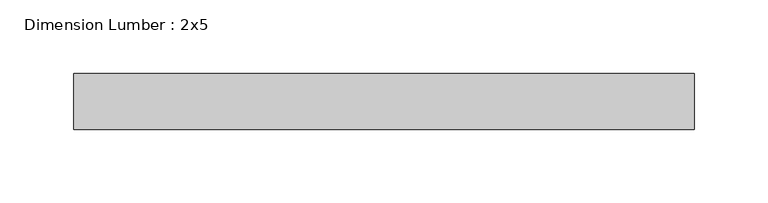
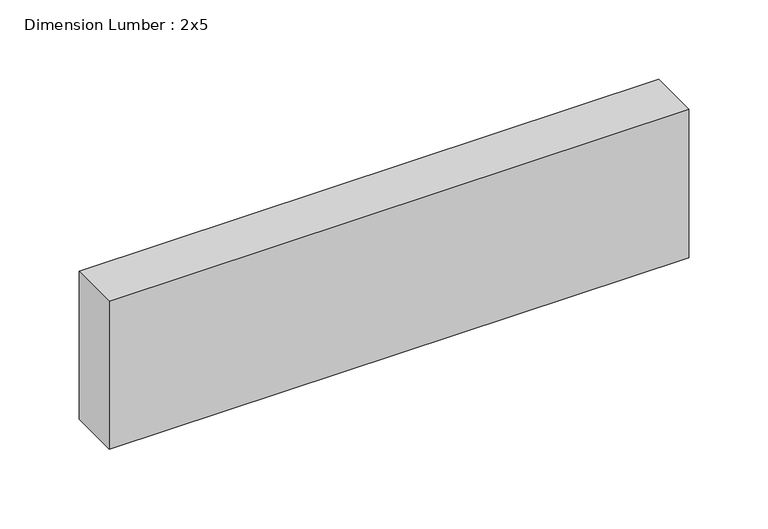
"""IFC4 building model written with IfcOpenShell, lengths in millimetres: beam geometry, Dimension Lumber : 2x5."""

from ifc_helpers import new_model, si_unit, frame, origin, place, context, project, spatial, polyline, outline, extrude, source, transform, mapped, element, save


def dimension_lumber_2x5_f39c939f(model_context):
    return source(origin(), model_context, "Body", "SweptSolid", [
        extrude(outline(polyline([(212.8672009, 19.05), (212.8672009, -19.05), (-209.4026681, -19.05), (-209.4026681, 19.05), (212.8672009, 19.05)])), frame((0.0, 0.0, -57.15), z_axis=(0.0, 0.0, 1.0), x_axis=(1.0, 0.0, 0.0)), (0.0, 0.0, 1.0), 114.3),
    ])


if __name__ == "__main__":
    model = new_model("IFC4")
    model_context = context("Model", 3, world=origin())
    ifc_project = project(units=[si_unit("LENGTHUNIT", "METRE", prefix="MILLI")], contexts=[model_context])
    site = spatial("IfcSite", under=ifc_project)
    building = spatial("IfcBuilding", under=site)
    placement = place(None, origin())
    dimension_lumber_2x5_shape = dimension_lumber_2x5_f39c939f(model_context)
    element("IfcBeam", 1, ObjectType="Dimension Lumber : 2x5", at=placement, inside=building, context=model_context, shape_type="MappedRepresentation", body=[
        mapped(dimension_lumber_2x5_shape, transform((0.0, 0.0, 0.0), x_axis=(1.0, 0.0, 0.0), y_axis=(0.0, 1.0, 0.0), z_axis=(0.0, 0.0, 1.0))),
    ])
    save(model, "model.ifc")
